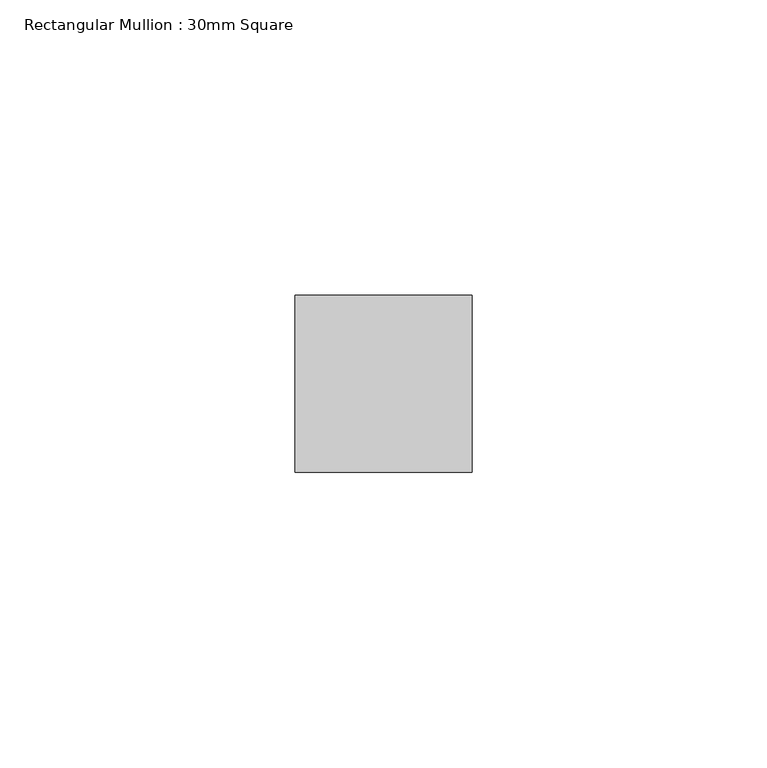
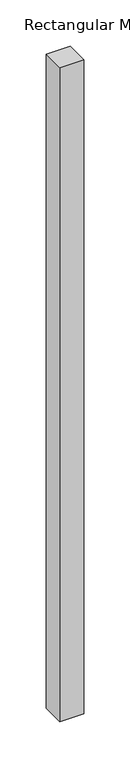
"""IFC4 building model written with IfcOpenShell, lengths in millimetres: member geometry, Rectangular Mullion : 30mm Square."""

from ifc_helpers import new_model, si_unit, frame, origin, place, context, project, spatial, polyline, outline, extrude, source, transform, mapped, element, save


def rectangular_mullion_30mm_square_de5ff548(model_context):
    return source(origin(), model_context, "Body", "SweptSolid", [
        extrude(outline(polyline([(15.0, 15.0), (15.0, -15.0), (-15.0, -15.0), (-15.0, 15.0), (15.0, 15.0)])), frame((0.0, 0.0, -866.6666667), z_axis=(0.0, 0.0, 1.0), x_axis=(1.0, 0.0, 0.0)), (0.0, 0.0, 1.0), 866.6666667),
    ])


if __name__ == "__main__":
    model = new_model("IFC4")
    model_context = context("Model", 3, world=origin())
    ifc_project = project(units=[si_unit("LENGTHUNIT", "METRE", prefix="MILLI")], contexts=[model_context])
    site = spatial("IfcSite", under=ifc_project)
    building = spatial("IfcBuilding", under=site)
    placement = place(None, origin())
    rectangular_mullion_30mm_square_shape = rectangular_mullion_30mm_square_de5ff548(model_context)
    element("IfcMember", 1, ObjectType="Rectangular Mullion : 30mm Square", at=placement, inside=building, context=model_context, shape_type="MappedRepresentation", body=[
        mapped(rectangular_mullion_30mm_square_shape, transform((0.0, 0.0, 0.0), x_axis=(1.0, 0.0, 0.0), y_axis=(0.0, 1.0, 0.0), z_axis=(0.0, 0.0, 1.0))),
    ])
    save(model, "model.ifc")
